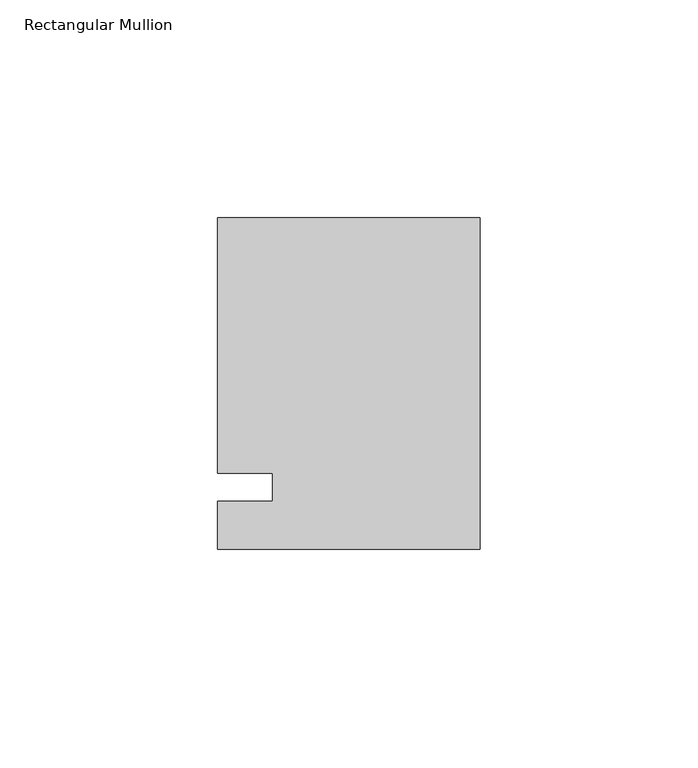
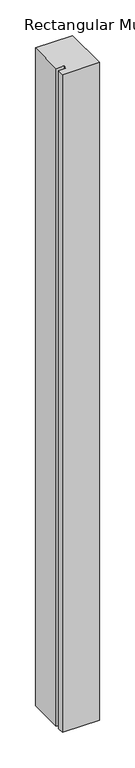
"""IFC4 building model written with IfcOpenShell, lengths in millimetres: member geometry, Rectangular Mullion."""

import ifcopenshell
import ifcopenshell.guid

model = None  # the IFC model being written
_history = None  # IfcOwnerHistory: only IFC2X3 demands one
_inside = {}  # id of a spatial element -> (the spatial element, [elements in it])
_under = {}  # id of a project, library or spatial element -> (it, [spatial elements below it])
_declared = {}  # id of a project -> (the project, [libraries it declares])
_typed = {}  # id of a type object -> (the type object, [elements of that type])
_made_of = {}  # id of a material, layer set ... -> (it, [elements and type objects made of it])


def new_model(schema):
    """Start an empty IFC model of exactly this schema.

    Asked for "IFC4X3", IfcOpenShell would pick the latest addendum, in which some entities
    have other attributes; the version numbers below select the first issue.
    IFC2X3 requires an IfcOwnerHistory on every rooted entity: one is made here for all.
    """
    global model, _history
    if schema == "IFC4X3":
        model = ifcopenshell.file(schema_version=(4, 3, 0, 0))
    else:
        model = ifcopenshell.file(schema=schema)
    _inside.clear()
    _under.clear()
    _declared.clear()
    _typed.clear()
    _made_of.clear()
    _history = None
    if model.schema == "IFC2X3":
        org = make("IfcOrganization", Name="unknown")
        user = make(
            "IfcPersonAndOrganization",
            ThePerson=make("IfcPerson", FamilyName="unknown"),
            TheOrganization=org,
        )
        app = make(
            "IfcApplication",
            ApplicationDeveloper=org,
            Version="unknown",
            ApplicationFullName="unknown",
            ApplicationIdentifier="unknown",
        )
        _history = make(
            "IfcOwnerHistory",
            OwningUser=user,
            OwningApplication=app,
            ChangeAction="ADDED",
            CreationDate=0,
        )
    return model


def make(cls, **values):
    """One entity of the class cls with the attributes given. An attribute that is None is left unset."""
    return model.create_entity(
        cls, **{name: value for name, value in values.items() if value is not None}
    )


def rooted(cls, **values):
    """An entity with a GlobalId (a new one), such as an element, a storey or a relation."""
    return make(cls, GlobalId=ifcopenshell.guid.new(), OwnerHistory=_history, **values)


def si_unit(unit_type, name, prefix=None):
    """IfcSIUnit, for example si_unit("LENGTHUNIT", "METRE", prefix="MILLI")."""
    return make("IfcSIUnit", UnitType=unit_type, Prefix=prefix, Name=name)


def assignment(units):
    """IfcUnitAssignment: the units of a project."""
    return None if units is None else make("IfcUnitAssignment", Units=units)


def point(xyz):
    """IfcCartesianPoint."""
    return None if xyz is None else make("IfcCartesianPoint", Coordinates=xyz)


def direction(xyz):
    """IfcDirection."""
    return None if xyz is None else make("IfcDirection", DirectionRatios=xyz)


def frame(location, z_axis=None, x_axis=None):
    """IfcAxis2Placement3D, a coordinate frame: its origin and axes. An axis left out is left unset."""
    return make(
        "IfcAxis2Placement3D",
        Location=point(location),
        Axis=direction(z_axis),
        RefDirection=direction(x_axis),
    )


def origin():
    """The frame at (0, 0, 0) with its axes left unset."""
    return frame((0.0, 0.0, 0.0))


def place(relative_to, where):
    """IfcLocalPlacement: puts the frame where relative to a parent placement (None: the world)."""
    return make(
        "IfcLocalPlacement", PlacementRelTo=relative_to, RelativePlacement=where
    )


def context(
    kind, dimensions, precision=None, world=None, true_north=None, identifier=None
):
    """IfcGeometricRepresentationContext, for example the 3D "Model" context."""
    return make(
        "IfcGeometricRepresentationContext",
        ContextIdentifier=identifier,
        ContextType=kind,
        CoordinateSpaceDimension=dimensions,
        Precision=precision,
        WorldCoordinateSystem=world,
        TrueNorth=true_north,
    )


def project(units=None, contexts=None):
    """IfcProject with its units and contexts."""
    return rooted(
        "IfcProject",
        Name="project",
        RepresentationContexts=contexts,
        UnitsInContext=assignment(units),
    )


def spatial(cls, under=None, at=None, **own):
    """A site, building, storey or space (cls), placed at a placement, below another one or the project."""
    s = rooted(cls, ObjectPlacement=at, **own)
    if under is not None:
        _under.setdefault(under.id(), (under, []))[1].append(s)
    return s


def polyline(points):
    """IfcPolyline through the points."""
    return make("IfcPolyline", Points=[point(p) for p in points])


def outline(outer, holes=None, kind="AREA"):
    """IfcArbitraryClosedProfileDef: a profile drawn as a closed curve; with holes, ...WithVoids."""
    if holes is None:
        return make("IfcArbitraryClosedProfileDef", ProfileType=kind, OuterCurve=outer)
    return make(
        "IfcArbitraryProfileDefWithVoids",
        ProfileType=kind,
        OuterCurve=outer,
        InnerCurves=holes,
    )


def extrude(swept, where, along, depth):
    """IfcExtrudedAreaSolid: the profile swept, set in the frame where, extruded along a direction by depth."""
    return make(
        "IfcExtrudedAreaSolid",
        SweptArea=swept,
        Position=where,
        ExtrudedDirection=direction(along),
        Depth=depth,
    )


def shape(context_of_items, identifier, shape_type, items):
    """IfcShapeRepresentation: the items that make up one representation, for example the "Body"."""
    return make(
        "IfcShapeRepresentation",
        ContextOfItems=context_of_items,
        RepresentationIdentifier=identifier,
        RepresentationType=shape_type,
        Items=items,
    )


def source(mapping_origin, context_of_items, identifier, shape_type, items):
    """IfcRepresentationMap: a shape defined once, which mapped items show again and again."""
    return make(
        "IfcRepresentationMap",
        MappingOrigin=mapping_origin,
        MappedRepresentation=shape(context_of_items, identifier, shape_type, items),
    )


def transform(
    local_origin,
    x_axis=None,
    y_axis=None,
    z_axis=None,
    scale=None,
    scale2=None,
    scale3=None,
    uniform=True,
):
    """IfcCartesianTransformationOperator3D, or its non-uniform kind. x_axis, y_axis, z_axis: its Axis1, 2, 3."""
    if uniform:
        return make(
            "IfcCartesianTransformationOperator3D",
            Axis1=direction(x_axis),
            Axis2=direction(y_axis),
            LocalOrigin=point(local_origin),
            Scale=scale,
            Axis3=direction(z_axis),
        )
    return make(
        "IfcCartesianTransformationOperator3DnonUniform",
        Axis1=direction(x_axis),
        Axis2=direction(y_axis),
        LocalOrigin=point(local_origin),
        Scale=scale,
        Axis3=direction(z_axis),
        Scale2=scale2,
        Scale3=scale3,
    )


def mapped(mapping_source, mapping_target):
    """IfcMappedItem: shows the shape of a source again, moved by a transform."""
    return make(
        "IfcMappedItem", MappingSource=mapping_source, MappingTarget=mapping_target
    )


def made_of(thing, what):
    """Note that an element or type object is made of a material, layer set ...; save() writes the relation."""
    if what is not None:
        _made_of.setdefault(what.id(), (what, []))[1].append(thing)
    return thing


def element(
    cls,
    number,
    at=None,
    inside=None,
    cuts=None,
    type_object=None,
    material=None,
    context=None,
    identifier="Body",
    shape_type=None,
    held_by="IfcProductDefinitionShape",
    body=None,
    shapes=None,
    **own,
):
    """One element of the class cls, such as IfcWall. Its Tag is "e" and its number.

    at: its placement. inside: the storey or other place that contains it. cuts: it is an
    opening in that element (IfcRelVoidsElement). A single representation is given by context,
    identifier, shape_type and body (its items); several are given by shapes. held_by: the class
    of the entity that holds the representations. save() writes the other relations.
    """
    e = rooted(cls, Tag="e%d" % number, ObjectPlacement=at, **own)
    if body is not None:
        shapes = [shape(context, identifier, shape_type, body)]
    if shapes is not None:
        e.Representation = make(held_by, Representations=shapes)
    if inside is not None:
        _inside.setdefault(inside.id(), (inside, []))[1].append(e)
    if cuts is not None:
        rooted(
            "IfcRelVoidsElement", RelatingBuildingElement=cuts, RelatedOpeningElement=e
        )
    if type_object is not None:
        _typed.setdefault(type_object.id(), (type_object, []))[1].append(e)
    return made_of(e, material)


def aggregate(whole, parts):
    """IfcRelAggregates: a whole, such as a stair, and the parts it consists of."""
    return rooted("IfcRelAggregates", RelatingObject=whole, RelatedObjects=parts)


def save(model, path):
    """Write the relations noted so far, then the file.

    IfcRelAggregates (storeys below a building ...), IfcRelContainedInSpatialStructure (elements
    in a storey), IfcRelDefinesByType, IfcRelAssociatesMaterial and IfcRelDeclares: one each for
    every whole, place, type object, material and project.
    """
    for whole, parts in _under.values():
        aggregate(whole, parts)
    for where, things in _inside.values():
        rooted(
            "IfcRelContainedInSpatialStructure",
            RelatedElements=things,
            RelatingStructure=where,
        )
    for kind, things in _typed.values():
        rooted("IfcRelDefinesByType", RelatedObjects=things, RelatingType=kind)
    for what, things in _made_of.values():
        rooted("IfcRelAssociatesMaterial", RelatedObjects=things, RelatingMaterial=what)
    for by, libraries in _declared.values():
        rooted("IfcRelDeclares", RelatingContext=by, RelatedDefinitions=libraries)
    model.write(path)


def rectangular_mullion_ca8aa45d(model_context):
    return source(origin(), model_context, "Body", "SweptSolid", [
        extrude(outline(polyline([(-60.325, 61.9125), (0.0, 61.9125), (0.0, -14.2875), (-60.325, -14.2875), (-60.325, -3.175), (-47.625, -3.175), (-47.625, 3.175), (-60.325, 3.175), (-60.325, 61.9125)])), frame((0.0, 0.0, -1130.3), z_axis=(0.0, 0.0, 1.0), x_axis=(1.0, 0.0, 0.0)), (0.0, 0.0, 1.0), 1130.3),
    ])


if __name__ == "__main__":
    model = new_model("IFC4")
    model_context = context("Model", 3, world=origin())
    ifc_project = project(units=[si_unit("LENGTHUNIT", "METRE", prefix="MILLI")], contexts=[model_context])
    site = spatial("IfcSite", under=ifc_project)
    building = spatial("IfcBuilding", under=site)
    placement = place(None, origin())
    rectangular_mullion_shape = rectangular_mullion_ca8aa45d(model_context)
    element("IfcMember", 1, ObjectType="Rectangular Mullion", at=placement, inside=building, context=model_context, shape_type="MappedRepresentation", body=[
        mapped(rectangular_mullion_shape, transform((0.0, 0.0, 0.0), x_axis=(1.0, 0.0, 0.0), y_axis=(0.0, 1.0, 0.0), z_axis=(0.0, 0.0, 1.0))),
    ])
    save(model, "model.ifc")
